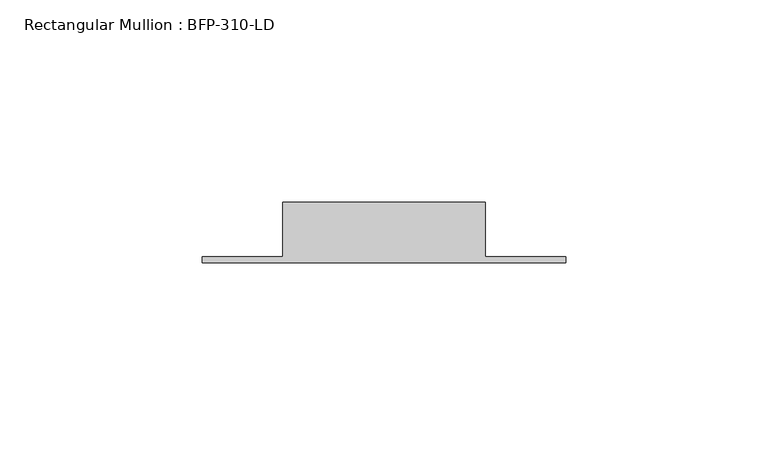
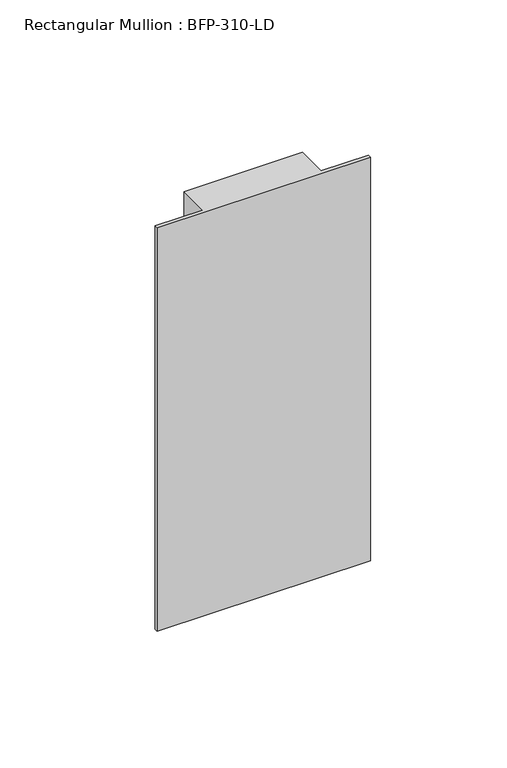
"""IFC4 building model written with IfcOpenShell, lengths in millimetres: member geometry, Rectangular Mullion : BFP-310-LD."""

import ifcopenshell
import ifcopenshell.guid

model = None  # the IFC model being written
_history = None  # IfcOwnerHistory: only IFC2X3 demands one
_inside = {}  # id of a spatial element -> (the spatial element, [elements in it])
_under = {}  # id of a project, library or spatial element -> (it, [spatial elements below it])
_declared = {}  # id of a project -> (the project, [libraries it declares])
_typed = {}  # id of a type object -> (the type object, [elements of that type])
_made_of = {}  # id of a material, layer set ... -> (it, [elements and type objects made of it])


def new_model(schema):
    """Start an empty IFC model of exactly this schema.

    Asked for "IFC4X3", IfcOpenShell would pick the latest addendum, in which some entities
    have other attributes; the version numbers below select the first issue.
    IFC2X3 requires an IfcOwnerHistory on every rooted entity: one is made here for all.
    """
    global model, _history
    if schema == "IFC4X3":
        model = ifcopenshell.file(schema_version=(4, 3, 0, 0))
    else:
        model = ifcopenshell.file(schema=schema)
    _inside.clear()
    _under.clear()
    _declared.clear()
    _typed.clear()
    _made_of.clear()
    _history = None
    if model.schema == "IFC2X3":
        org = make("IfcOrganization", Name="unknown")
        user = make(
            "IfcPersonAndOrganization",
            ThePerson=make("IfcPerson", FamilyName="unknown"),
            TheOrganization=org,
        )
        app = make(
            "IfcApplication",
            ApplicationDeveloper=org,
            Version="unknown",
            ApplicationFullName="unknown",
            ApplicationIdentifier="unknown",
        )
        _history = make(
            "IfcOwnerHistory",
            OwningUser=user,
            OwningApplication=app,
            ChangeAction="ADDED",
            CreationDate=0,
        )
    return model


def make(cls, **values):
    """One entity of the class cls with the attributes given. An attribute that is None is left unset."""
    return model.create_entity(
        cls, **{name: value for name, value in values.items() if value is not None}
    )


def rooted(cls, **values):
    """An entity with a GlobalId (a new one), such as an element, a storey or a relation."""
    return make(cls, GlobalId=ifcopenshell.guid.new(), OwnerHistory=_history, **values)


def si_unit(unit_type, name, prefix=None):
    """IfcSIUnit, for example si_unit("LENGTHUNIT", "METRE", prefix="MILLI")."""
    return make("IfcSIUnit", UnitType=unit_type, Prefix=prefix, Name=name)


def assignment(units):
    """IfcUnitAssignment: the units of a project."""
    return None if units is None else make("IfcUnitAssignment", Units=units)


def point(xyz):
    """IfcCartesianPoint."""
    return None if xyz is None else make("IfcCartesianPoint", Coordinates=xyz)


def direction(xyz):
    """IfcDirection."""
    return None if xyz is None else make("IfcDirection", DirectionRatios=xyz)


def frame(location, z_axis=None, x_axis=None):
    """IfcAxis2Placement3D, a coordinate frame: its origin and axes. An axis left out is left unset."""
    return make(
        "IfcAxis2Placement3D",
        Location=point(location),
        Axis=direction(z_axis),
        RefDirection=direction(x_axis),
    )


def origin():
    """The frame at (0, 0, 0) with its axes left unset."""
    return frame((0.0, 0.0, 0.0))


def place(relative_to, where):
    """IfcLocalPlacement: puts the frame where relative to a parent placement (None: the world)."""
    return make(
        "IfcLocalPlacement", PlacementRelTo=relative_to, RelativePlacement=where
    )


def context(
    kind, dimensions, precision=None, world=None, true_north=None, identifier=None
):
    """IfcGeometricRepresentationContext, for example the 3D "Model" context."""
    return make(
        "IfcGeometricRepresentationContext",
        ContextIdentifier=identifier,
        ContextType=kind,
        CoordinateSpaceDimension=dimensions,
        Precision=precision,
        WorldCoordinateSystem=world,
        TrueNorth=true_north,
    )


def project(units=None, contexts=None):
    """IfcProject with its units and contexts."""
    return rooted(
        "IfcProject",
        Name="project",
        RepresentationContexts=contexts,
        UnitsInContext=assignment(units),
    )


def spatial(cls, under=None, at=None, **own):
    """A site, building, storey or space (cls), placed at a placement, below another one or the project."""
    s = rooted(cls, ObjectPlacement=at, **own)
    if under is not None:
        _under.setdefault(under.id(), (under, []))[1].append(s)
    return s


def polyline(points):
    """IfcPolyline through the points."""
    return make("IfcPolyline", Points=[point(p) for p in points])


def outline(outer, holes=None, kind="AREA"):
    """IfcArbitraryClosedProfileDef: a profile drawn as a closed curve; with holes, ...WithVoids."""
    if holes is None:
        return make("IfcArbitraryClosedProfileDef", ProfileType=kind, OuterCurve=outer)
    return make(
        "IfcArbitraryProfileDefWithVoids",
        ProfileType=kind,
        OuterCurve=outer,
        InnerCurves=holes,
    )


def extrude(swept, where, along, depth):
    """IfcExtrudedAreaSolid: the profile swept, set in the frame where, extruded along a direction by depth."""
    return make(
        "IfcExtrudedAreaSolid",
        SweptArea=swept,
        Position=where,
        ExtrudedDirection=direction(along),
        Depth=depth,
    )


def shape(context_of_items, identifier, shape_type, items):
    """IfcShapeRepresentation: the items that make up one representation, for example the "Body"."""
    return make(
        "IfcShapeRepresentation",
        ContextOfItems=context_of_items,
        RepresentationIdentifier=identifier,
        RepresentationType=shape_type,
        Items=items,
    )


def source(mapping_origin, context_of_items, identifier, shape_type, items):
    """IfcRepresentationMap: a shape defined once, which mapped items show again and again."""
    return make(
        "IfcRepresentationMap",
        MappingOrigin=mapping_origin,
        MappedRepresentation=shape(context_of_items, identifier, shape_type, items),
    )


def transform(
    local_origin,
    x_axis=None,
    y_axis=None,
    z_axis=None,
    scale=None,
    scale2=None,
    scale3=None,
    uniform=True,
):
    """IfcCartesianTransformationOperator3D, or its non-uniform kind. x_axis, y_axis, z_axis: its Axis1, 2, 3."""
    if uniform:
        return make(
            "IfcCartesianTransformationOperator3D",
            Axis1=direction(x_axis),
            Axis2=direction(y_axis),
            LocalOrigin=point(local_origin),
            Scale=scale,
            Axis3=direction(z_axis),
        )
    return make(
        "IfcCartesianTransformationOperator3DnonUniform",
        Axis1=direction(x_axis),
        Axis2=direction(y_axis),
        LocalOrigin=point(local_origin),
        Scale=scale,
        Axis3=direction(z_axis),
        Scale2=scale2,
        Scale3=scale3,
    )


def mapped(mapping_source, mapping_target):
    """IfcMappedItem: shows the shape of a source again, moved by a transform."""
    return make(
        "IfcMappedItem", MappingSource=mapping_source, MappingTarget=mapping_target
    )


def made_of(thing, what):
    """Note that an element or type object is made of a material, layer set ...; save() writes the relation."""
    if what is not None:
        _made_of.setdefault(what.id(), (what, []))[1].append(thing)
    return thing


def element(
    cls,
    number,
    at=None,
    inside=None,
    cuts=None,
    type_object=None,
    material=None,
    context=None,
    identifier="Body",
    shape_type=None,
    held_by="IfcProductDefinitionShape",
    body=None,
    shapes=None,
    **own,
):
    """One element of the class cls, such as IfcWall. Its Tag is "e" and its number.

    at: its placement. inside: the storey or other place that contains it. cuts: it is an
    opening in that element (IfcRelVoidsElement). A single representation is given by context,
    identifier, shape_type and body (its items); several are given by shapes. held_by: the class
    of the entity that holds the representations. save() writes the other relations.
    """
    e = rooted(cls, Tag="e%d" % number, ObjectPlacement=at, **own)
    if body is not None:
        shapes = [shape(context, identifier, shape_type, body)]
    if shapes is not None:
        e.Representation = make(held_by, Representations=shapes)
    if inside is not None:
        _inside.setdefault(inside.id(), (inside, []))[1].append(e)
    if cuts is not None:
        rooted(
            "IfcRelVoidsElement", RelatingBuildingElement=cuts, RelatedOpeningElement=e
        )
    if type_object is not None:
        _typed.setdefault(type_object.id(), (type_object, []))[1].append(e)
    return made_of(e, material)


def aggregate(whole, parts):
    """IfcRelAggregates: a whole, such as a stair, and the parts it consists of."""
    return rooted("IfcRelAggregates", RelatingObject=whole, RelatedObjects=parts)


def save(model, path):
    """Write the relations noted so far, then the file.

    IfcRelAggregates (storeys below a building ...), IfcRelContainedInSpatialStructure (elements
    in a storey), IfcRelDefinesByType, IfcRelAssociatesMaterial and IfcRelDeclares: one each for
    every whole, place, type object, material and project.
    """
    for whole, parts in _under.values():
        aggregate(whole, parts)
    for where, things in _inside.values():
        rooted(
            "IfcRelContainedInSpatialStructure",
            RelatedElements=things,
            RelatingStructure=where,
        )
    for kind, things in _typed.values():
        rooted("IfcRelDefinesByType", RelatedObjects=things, RelatingType=kind)
    for what, things in _made_of.values():
        rooted("IfcRelAssociatesMaterial", RelatedObjects=things, RelatingMaterial=what)
    for by, libraries in _declared.values():
        rooted("IfcRelDeclares", RelatingContext=by, RelatedDefinitions=libraries)
    model.write(path)


def rectangular_mullion_bfp_310_ld_799a1f07(model_context):
    return source(origin(), model_context, "Body", "SweptSolid", [
        extrude(outline(polyline([(-25.0, 17.0), (25.0, 17.0), (25.0, 3.5), (45.0, 3.5), (45.0, 2.0), (-45.0, 2.0), (-45.0, 3.5), (-25.0, 3.5), (-25.0, 17.0)])), frame((0.0, 0.0, -180.0), z_axis=(0.0, 0.0, 1.0), x_axis=(1.0, 0.0, 0.0)), (0.0, 0.0, 1.0), 180.0),
    ])


if __name__ == "__main__":
    model = new_model("IFC4")
    model_context = context("Model", 3, world=origin())
    ifc_project = project(units=[si_unit("LENGTHUNIT", "METRE", prefix="MILLI")], contexts=[model_context])
    site = spatial("IfcSite", under=ifc_project)
    building = spatial("IfcBuilding", under=site)
    placement = place(None, origin())
    rectangular_mullion_bfp_310_ld_shape = rectangular_mullion_bfp_310_ld_799a1f07(model_context)
    element("IfcMember", 1, ObjectType="Rectangular Mullion : BFP-310-LD", at=placement, inside=building, context=model_context, shape_type="MappedRepresentation", body=[
        mapped(rectangular_mullion_bfp_310_ld_shape, transform((0.0, 0.0, 0.0), x_axis=(1.0, 0.0, 0.0), y_axis=(0.0, 1.0, 0.0), z_axis=(0.0, 0.0, 1.0))),
    ])
    save(model, "model.ifc")
